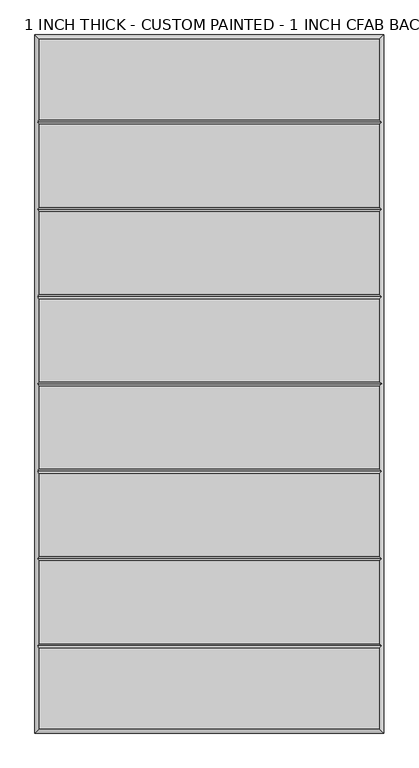
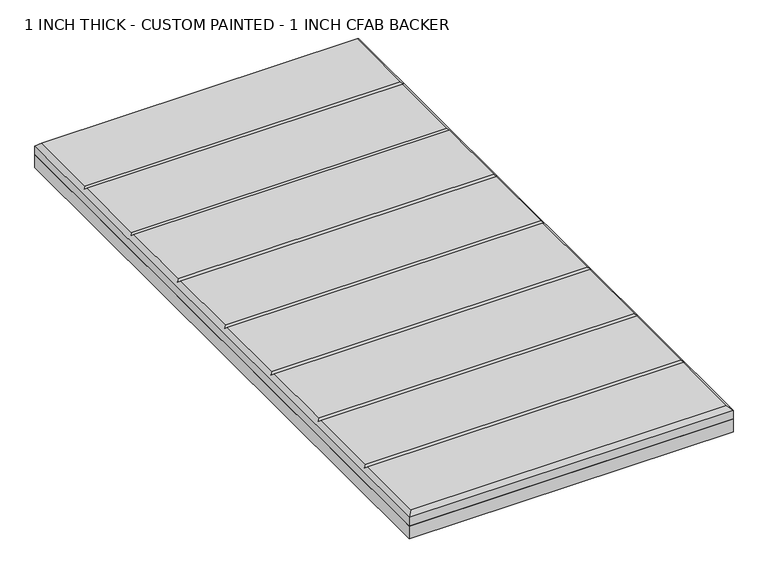
"""IFC4 building model written with IfcOpenShell, lengths in millimetres: proxy geometry, 1 INCH THICK - CUSTOM PAINTED - 1 INCH CFAB BACKER."""

from ifc_helpers import new_model, si_unit, frame, origin, place, context, project, spatial, polyline, outline, extrude, faceted_brep, source, transform, mapped, element, save


def proxy_1_inch_thick_custom_painted_1_inch_cfab_backer_79dfb9c9(model_context):
    return source(origin(), model_context, "Body", "SolidModel", [
        extrude(outline(polyline([(-304.8, 609.6), (304.8, 609.6), (304.8, -609.6), (-304.8, -609.6), (-304.8, 609.6)])), frame((0.0, 0.0, -25.4), z_axis=(0.0, 0.0, 1.0), x_axis=(1.0, 0.0, 0.0)), (0.0, 0.0, 1.0), 25.4),
        faceted_brep([(296.799, 601.599, 25.4), (-296.799, 601.599, 25.4), (-296.799, 461.2005254, 25.4), (296.799, 461.2005254, 25.4), (-296.799, -601.599, 25.4), (296.799, -601.599, 25.4), (296.799, -461.2004746, 25.4), (-296.799, -461.2004746, 25.4), (296.799, 453.1995254, 25.4), (-296.799, 453.1995254, 25.4), (-296.799, 308.8005254, 25.4), (296.799, 308.8005254, 25.4), (296.799, -308.8005, 25.4), (-296.799, -308.8005, 25.4), (-296.799, -453.1994746, 25.4), (296.799, -453.1994746, 25.4), (-296.799, -300.7995, 25.4), (296.799, -300.7995, 25.4), (296.799, -156.4004746, 25.4), (-296.799, -156.4004746, 25.4), (296.799, 300.7995254, 25.4), (-296.799, 300.7995254, 25.4), (-296.799, 156.4005254, 25.4), (296.799, 156.4005254, 25.4), (296.799, 148.3995254, 25.4), (-296.799, 148.3995254, 25.4), (-296.799, 4.0005254, 25.4), (296.799, 4.0005254, 25.4), (296.799, -4.0004746, 25.4), (-296.799, -4.0004746, 25.4), (-296.799, -148.3994746, 25.4), (296.799, -148.3994746, 25.4), (-304.8, 609.6, 0.0), (304.8, 609.6, 0.0), (304.8, -609.6, 0.0), (-304.8, -609.6, 0.0), (-304.8, -609.6, 17.399), (-304.8, 609.6, 17.399), (304.8, -609.6, 17.399), (304.8, 609.6, 17.399), (-300.7995, -457.1999746, 21.3995), (-300.7995, -304.8, 21.3995), (-300.7995, -152.3999746, 21.3995), (-300.7995, 2.54e-05, 21.3995), (-300.7995, 152.4000254, 21.3995), (-300.7995, 304.8000254, 21.3995), (-300.7995, 457.2000254, 21.3995), (300.7995, 457.2000254, 21.3995), (300.7995, 304.8000254, 21.3995), (300.7995, 152.4000254, 21.3995), (300.7995, 2.54e-05, 21.3995), (300.7995, -152.3999746, 21.3995), (300.7995, -304.8, 21.3995), (300.7995, -457.1999746, 21.3995)], [[[0, 1, 2, 3]], [[4, 5, 6, 7]], [[8, 9, 10, 11]], [[12, 13, 14, 15]], [[16, 17, 18, 19]], [[20, 21, 22, 23]], [[24, 25, 26, 27]], [[28, 29, 30, 31]], [[32, 33, 34, 35]], [[32, 35, 36, 37]], [[35, 34, 38, 36]], [[34, 33, 39, 38]], [[33, 32, 37, 39]], [[37, 1, 0, 39]], [[1, 37, 36, 4, 7, 40, 14, 13, 41, 16, 19, 42, 30, 29, 43, 26, 25, 44, 22, 21, 45, 10, 9, 46, 2]], [[4, 36, 38, 5]], [[39, 0, 3, 47, 8, 11, 48, 20, 23, 49, 24, 27, 50, 28, 31, 51, 18, 17, 52, 12, 15, 53, 6, 5, 38]], [[47, 46, 9, 8]], [[46, 47, 3, 2]], [[52, 41, 13, 12]], [[41, 52, 17, 16]], [[53, 40, 7, 6]], [[40, 53, 15, 14]], [[48, 45, 21, 20]], [[45, 48, 11, 10]], [[49, 44, 25, 24]], [[44, 49, 23, 22]], [[50, 43, 29, 28]], [[43, 50, 27, 26]], [[51, 42, 19, 18]], [[42, 51, 31, 30]]]),
    ])


if __name__ == "__main__":
    model = new_model("IFC4")
    model_context = context("Model", 3, world=origin())
    ifc_project = project(units=[si_unit("LENGTHUNIT", "METRE", prefix="MILLI")], contexts=[model_context])
    site = spatial("IfcSite", under=ifc_project)
    building = spatial("IfcBuilding", under=site)
    placement = place(None, origin())
    proxy_1_inch_thick_custom_painted_1_inch_cfab_backer_shape = proxy_1_inch_thick_custom_painted_1_inch_cfab_backer_79dfb9c9(model_context)
    element("IfcBuildingElementProxy", 1, Name="1 INCH THICK - CUSTOM PAINTED - 1 INCH CFAB BACKER", ObjectType="1 INCH THICK - CUSTOM PAINTED - 1 INCH CFAB BACKER", at=placement, inside=building, context=model_context, shape_type="MappedRepresentation", body=[
        mapped(proxy_1_inch_thick_custom_painted_1_inch_cfab_backer_shape, transform((0.0, 0.0, 0.0), x_axis=(1.0, 0.0, 0.0), y_axis=(0.0, 1.0, 0.0), z_axis=(0.0, 0.0, 1.0))),
    ])
    save(model, "model.ifc")
